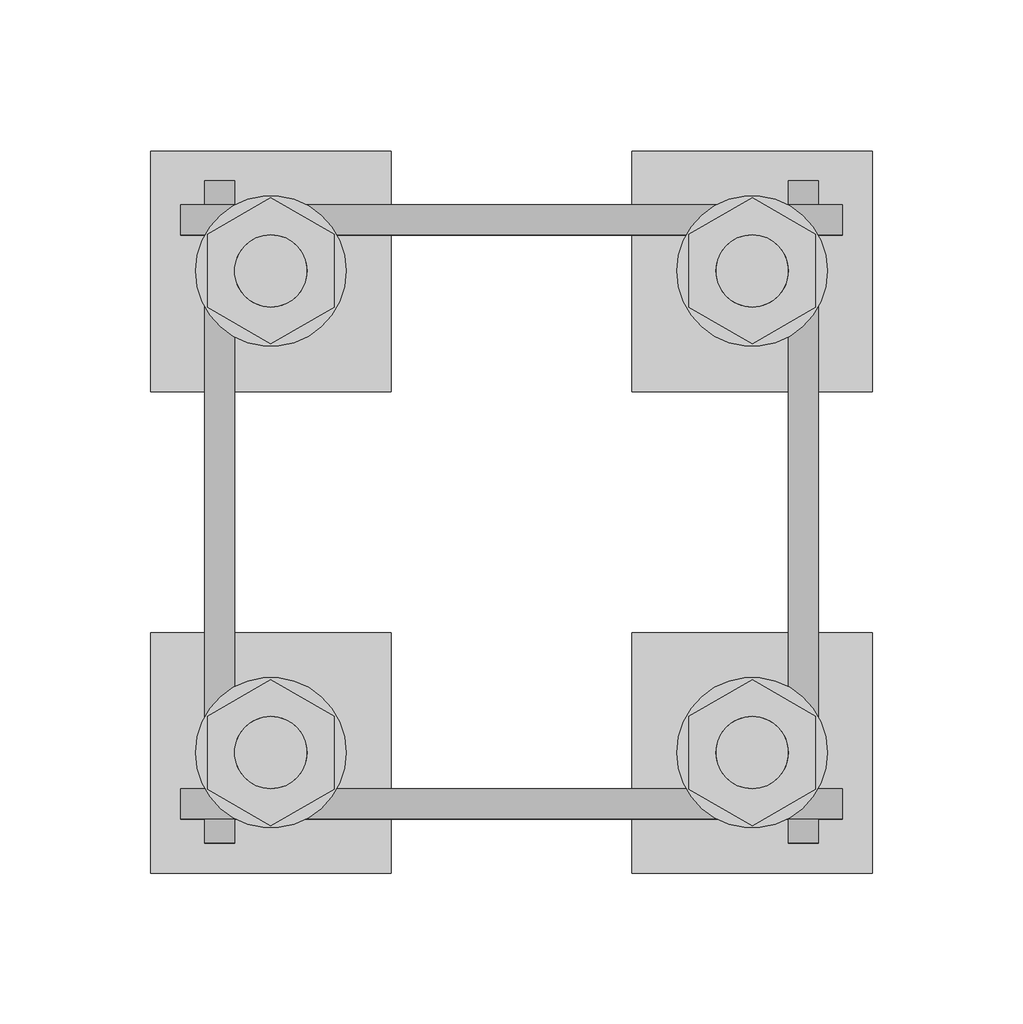
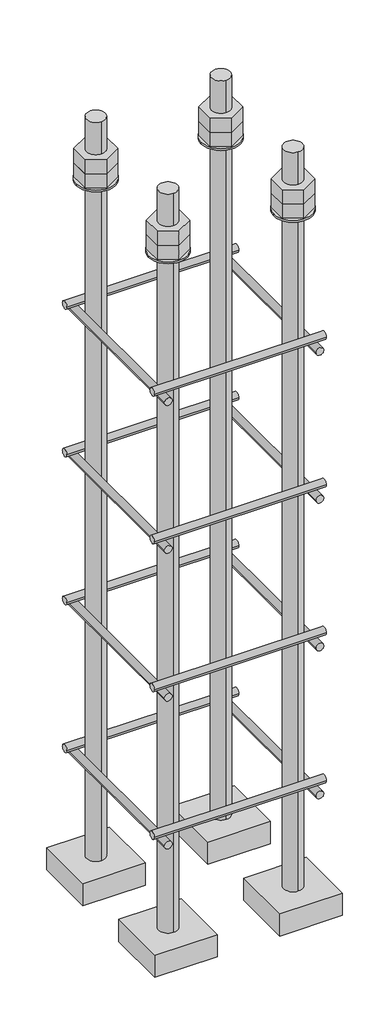
# One storey, part 6 of 66: 1 fastener.
"""IFC4 building model written with IfcOpenShell, lengths in millimetres."""

from ifc_helpers import new_model, si_unit, point, frame, frame_2d, origin, place, context, project, spatial, polyline, circle_curve, trimmed, segment, composite_curve, outline, extrude, element, save
from ifc_brep_helpers import plane_surface, cylinder_surface, advanced_brep

model = new_model("IFC4")

# Units and contexts
model_context = context("Model", 3, world=origin())
ifc_project = project(units=[si_unit("LENGTHUNIT", "METRE", prefix="MILLI")], contexts=[model_context])

# Site, building, storey
site = spatial("IfcSite", under=ifc_project)
building = spatial("IfcBuilding", under=site)
storey = spatial("IfcBuildingStorey", under=building, Elevation=9070.0)

# Fastener
placement = place(None, origin())
element("IfcFastener", 1, ObjectType="AU1 : AU-01", at=placement, inside=storey, context=model_context, shape_type="SolidModel", body=[
    extrude(outline(composite_curve([segment(trimmed(circle_curve(frame_2d((14703.0, 8795.0)), 5.0), [point((14698.0, 8795.0))], [point((14708.0, 8795.0))], False, "CARTESIAN"), True, "CONTINUOUS"), segment(trimmed(circle_curve(frame_2d((14703.0, 8795.0)), 5.0), [point((14708.0, 8795.0))], [point((14698.0, 8795.0))], False, "CARTESIAN"), True, "CONTINUOUS")], self_intersect=False)), frame((20740.0, 0.0, 0.0), z_axis=(1.0, 0.0, 0.0), x_axis=(0.0, 1.0, 0.0)), (0.0, 0.0, 1.0), 220.0),
    extrude(outline(composite_curve([segment(trimmed(circle_curve(frame_2d((14897.0, 8795.0)), 5.0), [point((14902.0, 8795.0))], [point((14892.0, 8795.0))], False, "CARTESIAN"), True, "CONTINUOUS"), segment(trimmed(circle_curve(frame_2d((14897.0, 8795.0)), 5.0), [point((14892.0, 8795.0))], [point((14902.0, 8795.0))], False, "CARTESIAN"), True, "CONTINUOUS")], self_intersect=False)), frame((20740.0, 0.0, 0.0), z_axis=(1.0, 0.0, 0.0), x_axis=(0.0, 1.0, 0.0)), (0.0, 0.0, 1.0), 220.0),
    extrude(outline(composite_curve([segment(trimmed(circle_curve(frame_2d((8785.0, 20753.0)), 5.0), [point((8785.0, 20748.0))], [point((8785.0, 20758.0))], False, "CARTESIAN"), True, "CONTINUOUS"), segment(trimmed(circle_curve(frame_2d((8785.0, 20753.0)), 5.0), [point((8785.0, 20758.0))], [point((8785.0, 20748.0))], False, "CARTESIAN"), True, "CONTINUOUS")], self_intersect=False)), frame((0.0, 14690.0, 0.0), z_axis=(0.0, 1.0, 0.0), x_axis=(0.0, 0.0, 1.0)), (0.0, 0.0, 1.0), 220.0),
    extrude(outline(composite_curve([segment(trimmed(circle_curve(frame_2d((8785.0, 20947.0)), 5.0), [point((8785.0, 20952.0))], [point((8785.0, 20942.0))], False, "CARTESIAN"), True, "CONTINUOUS"), segment(trimmed(circle_curve(frame_2d((8785.0, 20947.0)), 5.0), [point((8785.0, 20942.0))], [point((8785.0, 20952.0))], False, "CARTESIAN"), True, "CONTINUOUS")], self_intersect=False)), frame((0.0, 14690.0, 0.0), z_axis=(0.0, 1.0, 0.0), x_axis=(0.0, 0.0, 1.0)), (0.0, 0.0, 1.0), 220.0),
    extrude(outline(composite_curve([segment(trimmed(circle_curve(frame_2d((14703.0, 8995.0)), 5.0), [point((14698.0, 8995.0))], [point((14708.0, 8995.0))], False, "CARTESIAN"), True, "CONTINUOUS"), segment(trimmed(circle_curve(frame_2d((14703.0, 8995.0)), 5.0), [point((14708.0, 8995.0))], [point((14698.0, 8995.0))], False, "CARTESIAN"), True, "CONTINUOUS")], self_intersect=False)), frame((20740.0, 0.0, 0.0), z_axis=(1.0, 0.0, 0.0), x_axis=(0.0, 1.0, 0.0)), (0.0, 0.0, 1.0), 220.0),
    extrude(outline(composite_curve([segment(trimmed(circle_curve(frame_2d((14897.0, 8995.0)), 5.0), [point((14902.0, 8995.0))], [point((14892.0, 8995.0))], False, "CARTESIAN"), True, "CONTINUOUS"), segment(trimmed(circle_curve(frame_2d((14897.0, 8995.0)), 5.0), [point((14892.0, 8995.0))], [point((14902.0, 8995.0))], False, "CARTESIAN"), True, "CONTINUOUS")], self_intersect=False)), frame((20740.0, 0.0, 0.0), z_axis=(1.0, 0.0, 0.0), x_axis=(0.0, 1.0, 0.0)), (0.0, 0.0, 1.0), 220.0),
    extrude(outline(composite_curve([segment(trimmed(circle_curve(frame_2d((8985.0, 20753.0)), 5.0), [point((8985.0, 20748.0))], [point((8985.0, 20758.0))], False, "CARTESIAN"), True, "CONTINUOUS"), segment(trimmed(circle_curve(frame_2d((8985.0, 20753.0)), 5.0), [point((8985.0, 20758.0))], [point((8985.0, 20748.0))], False, "CARTESIAN"), True, "CONTINUOUS")], self_intersect=False)), frame((0.0, 14690.0, 0.0), z_axis=(0.0, 1.0, 0.0), x_axis=(0.0, 0.0, 1.0)), (0.0, 0.0, 1.0), 220.0),
    extrude(outline(composite_curve([segment(trimmed(circle_curve(frame_2d((8985.0, 20947.0)), 5.0), [point((8985.0, 20952.0))], [point((8985.0, 20942.0))], False, "CARTESIAN"), True, "CONTINUOUS"), segment(trimmed(circle_curve(frame_2d((8985.0, 20947.0)), 5.0), [point((8985.0, 20942.0))], [point((8985.0, 20952.0))], False, "CARTESIAN"), True, "CONTINUOUS")], self_intersect=False)), frame((0.0, 14690.0, 0.0), z_axis=(0.0, 1.0, 0.0), x_axis=(0.0, 0.0, 1.0)), (0.0, 0.0, 1.0), 220.0),
    extrude(outline(composite_curve([segment(trimmed(circle_curve(frame_2d((14703.0, 9195.0)), 5.0), [point((14698.0, 9195.0))], [point((14708.0, 9195.0))], False, "CARTESIAN"), True, "CONTINUOUS"), segment(trimmed(circle_curve(frame_2d((14703.0, 9195.0)), 5.0), [point((14708.0, 9195.0))], [point((14698.0, 9195.0))], False, "CARTESIAN"), True, "CONTINUOUS")], self_intersect=False)), frame((20740.0, 0.0, 0.0), z_axis=(1.0, 0.0, 0.0), x_axis=(0.0, 1.0, 0.0)), (0.0, 0.0, 1.0), 220.0),
    extrude(outline(composite_curve([segment(trimmed(circle_curve(frame_2d((14897.0, 9195.0)), 5.0), [point((14902.0, 9195.0))], [point((14892.0, 9195.0))], False, "CARTESIAN"), True, "CONTINUOUS"), segment(trimmed(circle_curve(frame_2d((14897.0, 9195.0)), 5.0), [point((14892.0, 9195.0))], [point((14902.0, 9195.0))], False, "CARTESIAN"), True, "CONTINUOUS")], self_intersect=False)), frame((20740.0, 0.0, 0.0), z_axis=(1.0, 0.0, 0.0), x_axis=(0.0, 1.0, 0.0)), (0.0, 0.0, 1.0), 220.0),
    extrude(outline(composite_curve([segment(trimmed(circle_curve(frame_2d((9185.0, 20753.0)), 5.0), [point((9185.0, 20748.0))], [point((9185.0, 20758.0))], False, "CARTESIAN"), True, "CONTINUOUS"), segment(trimmed(circle_curve(frame_2d((9185.0, 20753.0)), 5.0), [point((9185.0, 20758.0))], [point((9185.0, 20748.0))], False, "CARTESIAN"), True, "CONTINUOUS")], self_intersect=False)), frame((0.0, 14690.0, 0.0), z_axis=(0.0, 1.0, 0.0), x_axis=(0.0, 0.0, 1.0)), (0.0, 0.0, 1.0), 220.0),
    extrude(outline(composite_curve([segment(trimmed(circle_curve(frame_2d((9185.0, 20947.0)), 5.0), [point((9185.0, 20952.0))], [point((9185.0, 20942.0))], False, "CARTESIAN"), True, "CONTINUOUS"), segment(trimmed(circle_curve(frame_2d((9185.0, 20947.0)), 5.0), [point((9185.0, 20942.0))], [point((9185.0, 20952.0))], False, "CARTESIAN"), True, "CONTINUOUS")], self_intersect=False)), frame((0.0, 14690.0, 0.0), z_axis=(0.0, 1.0, 0.0), x_axis=(0.0, 0.0, 1.0)), (0.0, 0.0, 1.0), 220.0),
    extrude(outline(composite_curve([segment(trimmed(circle_curve(frame_2d((14703.0, 9395.0)), 5.0), [point((14698.0, 9395.0))], [point((14708.0, 9395.0))], False, "CARTESIAN"), True, "CONTINUOUS"), segment(trimmed(circle_curve(frame_2d((14703.0, 9395.0)), 5.0), [point((14708.0, 9395.0))], [point((14698.0, 9395.0))], False, "CARTESIAN"), True, "CONTINUOUS")], self_intersect=False)), frame((20740.0, 0.0, 0.0), z_axis=(1.0, 0.0, 0.0), x_axis=(0.0, 1.0, 0.0)), (0.0, 0.0, 1.0), 220.0),
    extrude(outline(composite_curve([segment(trimmed(circle_curve(frame_2d((14897.0, 9395.0)), 5.0), [point((14902.0, 9395.0))], [point((14892.0, 9395.0))], False, "CARTESIAN"), True, "CONTINUOUS"), segment(trimmed(circle_curve(frame_2d((14897.0, 9395.0)), 5.0), [point((14892.0, 9395.0))], [point((14902.0, 9395.0))], False, "CARTESIAN"), True, "CONTINUOUS")], self_intersect=False)), frame((20740.0, 0.0, 0.0), z_axis=(1.0, 0.0, 0.0), x_axis=(0.0, 1.0, 0.0)), (0.0, 0.0, 1.0), 220.0),
    extrude(outline(composite_curve([segment(trimmed(circle_curve(frame_2d((9385.0, 20753.0)), 5.0), [point((9385.0, 20748.0))], [point((9385.0, 20758.0))], False, "CARTESIAN"), True, "CONTINUOUS"), segment(trimmed(circle_curve(frame_2d((9385.0, 20753.0)), 5.0), [point((9385.0, 20758.0))], [point((9385.0, 20748.0))], False, "CARTESIAN"), True, "CONTINUOUS")], self_intersect=False)), frame((0.0, 14690.0, 0.0), z_axis=(0.0, 1.0, 0.0), x_axis=(0.0, 0.0, 1.0)), (0.0, 0.0, 1.0), 220.0),
    extrude(outline(composite_curve([segment(trimmed(circle_curve(frame_2d((9385.0, 20947.0)), 5.0), [point((9385.0, 20952.0))], [point((9385.0, 20942.0))], False, "CARTESIAN"), True, "CONTINUOUS"), segment(trimmed(circle_curve(frame_2d((9385.0, 20947.0)), 5.0), [point((9385.0, 20942.0))], [point((9385.0, 20952.0))], False, "CARTESIAN"), True, "CONTINUOUS")], self_intersect=False)), frame((0.0, 14690.0, 0.0), z_axis=(0.0, 1.0, 0.0), x_axis=(0.0, 0.0, 1.0)), (0.0, 0.0, 1.0), 220.0),
    advanced_brep(
    [(20810.0, 14920.0, 8650.0), (20730.0, 14920.0, 8650.0), (20730.0, 14840.0, 8650.0), (20810.0, 14840.0, 8650.0), (20770.0, 14868.0, 8650.0), (20770.0, 14892.0, 8650.0), (20810.0, 14920.0, 8620.0), (20810.0, 14840.0, 8620.0), (20730.0, 14840.0, 8620.0), (20730.0, 14920.0, 8620.0), (20770.0, 14892.0, 9650.0), (20770.0, 14868.0, 9650.0)],
    [
        (0, 1),
        (1, 2),
        (2, 3),
        (3, 0),
        (4, 5, circle_curve(frame((20770.0, 14880.0, 8650.0), z_axis=(0.0, 0.0, -1.0), x_axis=(0.0, -1.0, 0.0)), 12.0)),
        (5, 4, circle_curve(frame((20770.0, 14880.0, 8650.0), z_axis=(0.0, 0.0, -1.0), x_axis=(0.0, -1.0, 0.0)), 12.0)),
        (6, 7),
        (7, 8),
        (8, 9),
        (9, 6),
        (0, 6),
        (9, 1),
        (8, 2),
        (7, 3),
        (10, 11, circle_curve(frame((20770.0, 14880.0, 9650.0), z_axis=(0.0, 0.0, 1.0), x_axis=(0.0, -1.0, 0.0)), 12.0)),
        (11, 10, circle_curve(frame((20770.0, 14880.0, 9650.0), z_axis=(0.0, 0.0, 1.0), x_axis=(0.0, -1.0, 0.0)), 12.0)),
        (10, 5),
        (4, 11),
    ],
    [
        plane_surface(frame((20730.0, 14920.0, 8650.0), z_axis=(0.0, 0.0, 1.0), x_axis=(-1.0, 0.0, 0.0))),
        plane_surface(frame((20730.0, 14920.0, 8620.0), z_axis=(0.0, 0.0, -1.0), x_axis=(1.0, 0.0, 0.0))),
        plane_surface(frame((20810.0, 14920.0, 8650.0), z_axis=(0.0, 1.0, 0.0), x_axis=(0.0, 0.0, -1.0))),
        plane_surface(frame((20730.0, 14920.0, 8650.0), z_axis=(-1.0, 0.0, 0.0), x_axis=(0.0, 0.0, -1.0))),
        plane_surface(frame((20730.0, 14840.0, 8650.0), z_axis=(0.0, -1.0, 0.0), x_axis=(0.0, 0.0, -1.0))),
        plane_surface(frame((20810.0, 14840.0, 8650.0), z_axis=(1.0, 0.0, 0.0), x_axis=(0.0, 0.0, -1.0))),
        plane_surface(frame((20770.0, 14880.0, 9650.0), z_axis=(0.0, 0.0, 1.0), x_axis=(0.0, -1.0, 0.0))),
        cylinder_surface(frame((20770.0, 14880.0, 9650.0), z_axis=(0.0, 0.0, 1.0), x_axis=(0.0, -1.0, 0.0)), 12.0),
    ],
    [
        (0, [[1, 2, 3, 4], [5, 6]]),
        (1, [[7, 8, 9, 10]]),
        (2, [[-1, 11, -10, 12]]),
        (3, [[-2, -12, -9, 13]]),
        (4, [[-3, -13, -8, 14]]),
        (5, [[-4, -14, -7, -11]]),
        (6, [[15, 16]]),
        (7, [[-15, 17, -5, 18]]),
        (7, [[-16, -18, -6, -17]]),
    ],
),
    extrude(outline(composite_curve([segment(trimmed(circle_curve(frame_2d((20770.0, 14880.0)), 25.0), [point((20795.0, 14880.0))], [point((20745.0, 14880.0))], False, "CARTESIAN"), True, "CONTINUOUS"), segment(trimmed(circle_curve(frame_2d((20770.0, 14880.0)), 25.0), [point((20745.0, 14880.0))], [point((20795.0, 14880.0))], False, "CARTESIAN"), True, "CONTINUOUS")], self_intersect=False), holes=[composite_curve([segment(trimmed(circle_curve(frame_2d((20770.0, 14880.0)), 12.0), [point((20782.0, 14880.0))], [point((20758.0, 14880.0))], True, "CARTESIAN"), True, "CONTINUOUS"), segment(trimmed(circle_curve(frame_2d((20770.0, 14880.0)), 12.0), [point((20758.0, 14880.0))], [point((20782.0, 14880.0))], True, "CARTESIAN"), True, "CONTINUOUS")], self_intersect=False)]), frame((0.0, 0.0, 9565.0), z_axis=(0.0, 0.0, 1.0), x_axis=(1.0, 0.0, 0.0)), (0.0, 0.0, 1.0), 2.5),
    extrude(outline(polyline([(20770.0, 14904.2487113), (20791.0, 14892.1243557), (20791.0, 14867.8756443), (20770.0, 14855.7512887), (20749.0, 14867.8756443), (20749.0, 14892.1243557), (20770.0, 14904.2487113)]), holes=[composite_curve([segment(trimmed(circle_curve(frame_2d((20770.0, 14880.0)), 12.0), [point((20782.0, 14880.0))], [point((20758.0, 14880.0))], True, "CARTESIAN"), True, "CONTINUOUS"), segment(trimmed(circle_curve(frame_2d((20770.0, 14880.0)), 12.0), [point((20758.0, 14880.0))], [point((20782.0, 14880.0))], True, "CARTESIAN"), True, "CONTINUOUS")], self_intersect=False)]), frame((0.0, 0.0, 9587.0), z_axis=(0.0, 0.0, 1.0), x_axis=(1.0, 0.0, 0.0)), (0.0, 0.0, 1.0), 19.5),
    extrude(outline(polyline([(20770.0, 14904.2487113), (20791.0, 14892.1243557), (20791.0, 14867.8756443), (20770.0, 14855.7512887), (20749.0, 14867.8756443), (20749.0, 14892.1243557), (20770.0, 14904.2487113)]), holes=[composite_curve([segment(trimmed(circle_curve(frame_2d((20770.0, 14880.0)), 12.0), [point((20782.0, 14880.0))], [point((20758.0, 14880.0))], True, "CARTESIAN"), True, "CONTINUOUS"), segment(trimmed(circle_curve(frame_2d((20770.0, 14880.0)), 12.0), [point((20758.0, 14880.0))], [point((20782.0, 14880.0))], True, "CARTESIAN"), True, "CONTINUOUS")], self_intersect=False)]), frame((0.0, 0.0, 9567.5), z_axis=(0.0, 0.0, 1.0), x_axis=(1.0, 0.0, 0.0)), (0.0, 0.0, 1.0), 19.5),
    advanced_brep(
    [(20890.0, 14840.0, 8650.0), (20970.0, 14840.0, 8650.0), (20970.0, 14920.0, 8650.0), (20890.0, 14920.0, 8650.0), (20930.0, 14892.0, 8650.0), (20930.0, 14868.0, 8650.0), (20890.0, 14840.0, 8620.0), (20890.0, 14920.0, 8620.0), (20970.0, 14920.0, 8620.0), (20970.0, 14840.0, 8620.0), (20930.0, 14868.0, 9650.0), (20930.0, 14892.0, 9650.0)],
    [
        (0, 1),
        (1, 2),
        (2, 3),
        (3, 0),
        (4, 5, circle_curve(frame((20930.0, 14880.0, 8650.0), z_axis=(0.0, 0.0, -1.0), x_axis=(0.0, 1.0, 0.0)), 12.0)),
        (5, 4, circle_curve(frame((20930.0, 14880.0, 8650.0), z_axis=(0.0, 0.0, -1.0), x_axis=(0.0, 1.0, 0.0)), 12.0)),
        (6, 7),
        (7, 8),
        (8, 9),
        (9, 6),
        (0, 6),
        (9, 1),
        (8, 2),
        (7, 3),
        (10, 11, circle_curve(frame((20930.0, 14880.0, 9650.0), z_axis=(0.0, 0.0, 1.0), x_axis=(0.0, 1.0, 0.0)), 12.0)),
        (11, 10, circle_curve(frame((20930.0, 14880.0, 9650.0), z_axis=(0.0, 0.0, 1.0), x_axis=(0.0, 1.0, 0.0)), 12.0)),
        (10, 5),
        (4, 11),
    ],
    [
        plane_surface(frame((20970.0, 14840.0, 8650.0), z_axis=(0.0, 0.0, 1.0), x_axis=(1.0, 0.0, 0.0))),
        plane_surface(frame((20970.0, 14840.0, 8620.0), z_axis=(0.0, 0.0, -1.0), x_axis=(-1.0, 0.0, 0.0))),
        plane_surface(frame((20890.0, 14840.0, 8650.0), z_axis=(0.0, -1.0, 0.0), x_axis=(0.0, 0.0, -1.0))),
        plane_surface(frame((20970.0, 14840.0, 8650.0), z_axis=(1.0, 0.0, 0.0), x_axis=(0.0, 0.0, -1.0))),
        plane_surface(frame((20970.0, 14920.0, 8650.0), z_axis=(0.0, 1.0, 0.0), x_axis=(0.0, 0.0, -1.0))),
        plane_surface(frame((20890.0, 14920.0, 8650.0), z_axis=(-1.0, 0.0, 0.0), x_axis=(0.0, 0.0, -1.0))),
        plane_surface(frame((20930.0, 14880.0, 9650.0), z_axis=(0.0, 0.0, 1.0), x_axis=(0.0, 1.0, 0.0))),
        cylinder_surface(frame((20930.0, 14880.0, 9650.0), z_axis=(0.0, 0.0, 1.0), x_axis=(0.0, 1.0, 0.0)), 12.0),
    ],
    [
        (0, [[1, 2, 3, 4], [5, 6]]),
        (1, [[7, 8, 9, 10]]),
        (2, [[-1, 11, -10, 12]]),
        (3, [[-2, -12, -9, 13]]),
        (4, [[-3, -13, -8, 14]]),
        (5, [[-4, -14, -7, -11]]),
        (6, [[15, 16]]),
        (7, [[-15, 17, -5, 18]]),
        (7, [[-16, -18, -6, -17]]),
    ],
),
    extrude(outline(composite_curve([segment(trimmed(circle_curve(frame_2d((20930.0, 14880.0)), 25.0), [point((20905.0, 14880.0))], [point((20955.0, 14880.0))], False, "CARTESIAN"), True, "CONTINUOUS"), segment(trimmed(circle_curve(frame_2d((20930.0, 14880.0)), 25.0), [point((20955.0, 14880.0))], [point((20905.0, 14880.0))], False, "CARTESIAN"), True, "CONTINUOUS")], self_intersect=False), holes=[composite_curve([segment(trimmed(circle_curve(frame_2d((20930.0, 14880.0)), 12.0), [point((20918.0, 14880.0))], [point((20942.0, 14880.0))], True, "CARTESIAN"), True, "CONTINUOUS"), segment(trimmed(circle_curve(frame_2d((20930.0, 14880.0)), 12.0), [point((20942.0, 14880.0))], [point((20918.0, 14880.0))], True, "CARTESIAN"), True, "CONTINUOUS")], self_intersect=False)]), frame((0.0, 0.0, 9565.0), z_axis=(0.0, 0.0, 1.0), x_axis=(1.0, 0.0, 0.0)), (0.0, 0.0, 1.0), 2.5),
    extrude(outline(polyline([(20930.0, 14855.7512887), (20909.0, 14867.8756443), (20909.0, 14892.1243557), (20930.0, 14904.2487113), (20951.0, 14892.1243557), (20951.0, 14867.8756443), (20930.0, 14855.7512887)]), holes=[composite_curve([segment(trimmed(circle_curve(frame_2d((20930.0, 14880.0)), 12.0), [point((20918.0, 14880.0))], [point((20942.0, 14880.0))], True, "CARTESIAN"), True, "CONTINUOUS"), segment(trimmed(circle_curve(frame_2d((20930.0, 14880.0)), 12.0), [point((20942.0, 14880.0))], [point((20918.0, 14880.0))], True, "CARTESIAN"), True, "CONTINUOUS")], self_intersect=False)]), frame((0.0, 0.0, 9587.0), z_axis=(0.0, 0.0, 1.0), x_axis=(1.0, 0.0, 0.0)), (0.0, 0.0, 1.0), 19.5),
    extrude(outline(polyline([(20930.0, 14855.7512887), (20909.0, 14867.8756443), (20909.0, 14892.1243557), (20930.0, 14904.2487113), (20951.0, 14892.1243557), (20951.0, 14867.8756443), (20930.0, 14855.7512887)]), holes=[composite_curve([segment(trimmed(circle_curve(frame_2d((20930.0, 14880.0)), 12.0), [point((20918.0, 14880.0))], [point((20942.0, 14880.0))], True, "CARTESIAN"), True, "CONTINUOUS"), segment(trimmed(circle_curve(frame_2d((20930.0, 14880.0)), 12.0), [point((20942.0, 14880.0))], [point((20918.0, 14880.0))], True, "CARTESIAN"), True, "CONTINUOUS")], self_intersect=False)]), frame((0.0, 0.0, 9567.5), z_axis=(0.0, 0.0, 1.0), x_axis=(1.0, 0.0, 0.0)), (0.0, 0.0, 1.0), 19.5),
    advanced_brep(
    [(20890.0, 14680.0, 8650.0), (20970.0, 14680.0, 8650.0), (20970.0, 14760.0, 8650.0), (20890.0, 14760.0, 8650.0), (20930.0, 14732.0, 8650.0), (20930.0, 14708.0, 8650.0), (20890.0, 14680.0, 8620.0), (20890.0, 14760.0, 8620.0), (20970.0, 14760.0, 8620.0), (20970.0, 14680.0, 8620.0), (20930.0, 14708.0, 9650.0), (20930.0, 14732.0, 9650.0)],
    [
        (0, 1),
        (1, 2),
        (2, 3),
        (3, 0),
        (4, 5, circle_curve(frame((20930.0, 14720.0, 8650.0), z_axis=(0.0, 0.0, -1.0), x_axis=(0.0, 1.0, 0.0)), 12.0)),
        (5, 4, circle_curve(frame((20930.0, 14720.0, 8650.0), z_axis=(0.0, 0.0, -1.0), x_axis=(0.0, 1.0, 0.0)), 12.0)),
        (6, 7),
        (7, 8),
        (8, 9),
        (9, 6),
        (0, 6),
        (9, 1),
        (8, 2),
        (7, 3),
        (10, 11, circle_curve(frame((20930.0, 14720.0, 9650.0), z_axis=(0.0, 0.0, 1.0), x_axis=(0.0, 1.0, 0.0)), 12.0)),
        (11, 10, circle_curve(frame((20930.0, 14720.0, 9650.0), z_axis=(0.0, 0.0, 1.0), x_axis=(0.0, 1.0, 0.0)), 12.0)),
        (10, 5),
        (4, 11),
    ],
    [
        plane_surface(frame((20970.0, 14680.0, 8650.0), z_axis=(0.0, 0.0, 1.0), x_axis=(1.0, 0.0, 0.0))),
        plane_surface(frame((20970.0, 14680.0, 8620.0), z_axis=(0.0, 0.0, -1.0), x_axis=(-1.0, 0.0, 0.0))),
        plane_surface(frame((20890.0, 14680.0, 8650.0), z_axis=(0.0, -1.0, 0.0), x_axis=(0.0, 0.0, -1.0))),
        plane_surface(frame((20970.0, 14680.0, 8650.0), z_axis=(1.0, 0.0, 0.0), x_axis=(0.0, 0.0, -1.0))),
        plane_surface(frame((20970.0, 14760.0, 8650.0), z_axis=(0.0, 1.0, 0.0), x_axis=(0.0, 0.0, -1.0))),
        plane_surface(frame((20890.0, 14760.0, 8650.0), z_axis=(-1.0, 0.0, 0.0), x_axis=(0.0, 0.0, -1.0))),
        plane_surface(frame((20930.0, 14720.0, 9650.0), z_axis=(0.0, 0.0, 1.0), x_axis=(0.0, 1.0, 0.0))),
        cylinder_surface(frame((20930.0, 14720.0, 9650.0), z_axis=(0.0, 0.0, 1.0), x_axis=(0.0, 1.0, 0.0)), 12.0),
    ],
    [
        (0, [[1, 2, 3, 4], [5, 6]]),
        (1, [[7, 8, 9, 10]]),
        (2, [[-1, 11, -10, 12]]),
        (3, [[-2, -12, -9, 13]]),
        (4, [[-3, -13, -8, 14]]),
        (5, [[-4, -14, -7, -11]]),
        (6, [[15, 16]]),
        (7, [[-15, 17, -5, 18]]),
        (7, [[-16, -18, -6, -17]]),
    ],
),
    extrude(outline(composite_curve([segment(trimmed(circle_curve(frame_2d((20930.0, 14720.0)), 25.0), [point((20905.0, 14720.0))], [point((20955.0, 14720.0))], False, "CARTESIAN"), True, "CONTINUOUS"), segment(trimmed(circle_curve(frame_2d((20930.0, 14720.0)), 25.0), [point((20955.0, 14720.0))], [point((20905.0, 14720.0))], False, "CARTESIAN"), True, "CONTINUOUS")], self_intersect=False), holes=[composite_curve([segment(trimmed(circle_curve(frame_2d((20930.0, 14720.0)), 12.0), [point((20918.0, 14720.0))], [point((20942.0, 14720.0))], True, "CARTESIAN"), True, "CONTINUOUS"), segment(trimmed(circle_curve(frame_2d((20930.0, 14720.0)), 12.0), [point((20942.0, 14720.0))], [point((20918.0, 14720.0))], True, "CARTESIAN"), True, "CONTINUOUS")], self_intersect=False)]), frame((0.0, 0.0, 9565.0), z_axis=(0.0, 0.0, 1.0), x_axis=(1.0, 0.0, 0.0)), (0.0, 0.0, 1.0), 2.5),
    extrude(outline(polyline([(20930.0, 14695.7512887), (20909.0, 14707.8756443), (20909.0, 14732.1243557), (20930.0, 14744.2487113), (20951.0, 14732.1243557), (20951.0, 14707.8756443), (20930.0, 14695.7512887)]), holes=[composite_curve([segment(trimmed(circle_curve(frame_2d((20930.0, 14720.0)), 12.0), [point((20918.0, 14720.0))], [point((20942.0, 14720.0))], True, "CARTESIAN"), True, "CONTINUOUS"), segment(trimmed(circle_curve(frame_2d((20930.0, 14720.0)), 12.0), [point((20942.0, 14720.0))], [point((20918.0, 14720.0))], True, "CARTESIAN"), True, "CONTINUOUS")], self_intersect=False)]), frame((0.0, 0.0, 9587.0), z_axis=(0.0, 0.0, 1.0), x_axis=(1.0, 0.0, 0.0)), (0.0, 0.0, 1.0), 19.5),
    extrude(outline(polyline([(20930.0, 14695.7512887), (20909.0, 14707.8756443), (20909.0, 14732.1243557), (20930.0, 14744.2487113), (20951.0, 14732.1243557), (20951.0, 14707.8756443), (20930.0, 14695.7512887)]), holes=[composite_curve([segment(trimmed(circle_curve(frame_2d((20930.0, 14720.0)), 12.0), [point((20918.0, 14720.0))], [point((20942.0, 14720.0))], True, "CARTESIAN"), True, "CONTINUOUS"), segment(trimmed(circle_curve(frame_2d((20930.0, 14720.0)), 12.0), [point((20942.0, 14720.0))], [point((20918.0, 14720.0))], True, "CARTESIAN"), True, "CONTINUOUS")], self_intersect=False)]), frame((0.0, 0.0, 9567.5), z_axis=(0.0, 0.0, 1.0), x_axis=(1.0, 0.0, 0.0)), (0.0, 0.0, 1.0), 19.5),
    advanced_brep(
    [(20810.0, 14760.0, 8650.0), (20730.0, 14760.0, 8650.0), (20730.0, 14680.0, 8650.0), (20810.0, 14680.0, 8650.0), (20770.0, 14708.0, 8650.0), (20770.0, 14732.0, 8650.0), (20810.0, 14760.0, 8620.0), (20810.0, 14680.0, 8620.0), (20730.0, 14680.0, 8620.0), (20730.0, 14760.0, 8620.0), (20770.0, 14732.0, 9650.0), (20770.0, 14708.0, 9650.0)],
    [
        (0, 1),
        (1, 2),
        (2, 3),
        (3, 0),
        (4, 5, circle_curve(frame((20770.0, 14720.0, 8650.0), z_axis=(0.0, 0.0, -1.0), x_axis=(0.0, -1.0, 0.0)), 12.0)),
        (5, 4, circle_curve(frame((20770.0, 14720.0, 8650.0), z_axis=(0.0, 0.0, -1.0), x_axis=(0.0, -1.0, 0.0)), 12.0)),
        (6, 7),
        (7, 8),
        (8, 9),
        (9, 6),
        (0, 6),
        (9, 1),
        (8, 2),
        (7, 3),
        (10, 11, circle_curve(frame((20770.0, 14720.0, 9650.0), z_axis=(0.0, 0.0, 1.0), x_axis=(0.0, -1.0, 0.0)), 12.0)),
        (11, 10, circle_curve(frame((20770.0, 14720.0, 9650.0), z_axis=(0.0, 0.0, 1.0), x_axis=(0.0, -1.0, 0.0)), 12.0)),
        (10, 5),
        (4, 11),
    ],
    [
        plane_surface(frame((20730.0, 14760.0, 8650.0), z_axis=(0.0, 0.0, 1.0), x_axis=(-1.0, 0.0, 0.0))),
        plane_surface(frame((20730.0, 14760.0, 8620.0), z_axis=(0.0, 0.0, -1.0), x_axis=(1.0, 0.0, 0.0))),
        plane_surface(frame((20810.0, 14760.0, 8650.0), z_axis=(0.0, 1.0, 0.0), x_axis=(0.0, 0.0, -1.0))),
        plane_surface(frame((20730.0, 14760.0, 8650.0), z_axis=(-1.0, 0.0, 0.0), x_axis=(0.0, 0.0, -1.0))),
        plane_surface(frame((20730.0, 14680.0, 8650.0), z_axis=(0.0, -1.0, 0.0), x_axis=(0.0, 0.0, -1.0))),
        plane_surface(frame((20810.0, 14680.0, 8650.0), z_axis=(1.0, 0.0, 0.0), x_axis=(0.0, 0.0, -1.0))),
        plane_surface(frame((20770.0, 14720.0, 9650.0), z_axis=(0.0, 0.0, 1.0), x_axis=(0.0, -1.0, 0.0))),
        cylinder_surface(frame((20770.0, 14720.0, 9650.0), z_axis=(0.0, 0.0, 1.0), x_axis=(0.0, -1.0, 0.0)), 12.0),
    ],
    [
        (0, [[1, 2, 3, 4], [5, 6]]),
        (1, [[7, 8, 9, 10]]),
        (2, [[-1, 11, -10, 12]]),
        (3, [[-2, -12, -9, 13]]),
        (4, [[-3, -13, -8, 14]]),
        (5, [[-4, -14, -7, -11]]),
        (6, [[15, 16]]),
        (7, [[-15, 17, -5, 18]]),
        (7, [[-16, -18, -6, -17]]),
    ],
),
    extrude(outline(composite_curve([segment(trimmed(circle_curve(frame_2d((20770.0, 14720.0)), 25.0), [point((20795.0, 14720.0))], [point((20745.0, 14720.0))], False, "CARTESIAN"), True, "CONTINUOUS"), segment(trimmed(circle_curve(frame_2d((20770.0, 14720.0)), 25.0), [point((20745.0, 14720.0))], [point((20795.0, 14720.0))], False, "CARTESIAN"), True, "CONTINUOUS")], self_intersect=False), holes=[composite_curve([segment(trimmed(circle_curve(frame_2d((20770.0, 14720.0)), 12.0), [point((20782.0, 14720.0))], [point((20758.0, 14720.0))], True, "CARTESIAN"), True, "CONTINUOUS"), segment(trimmed(circle_curve(frame_2d((20770.0, 14720.0)), 12.0), [point((20758.0, 14720.0))], [point((20782.0, 14720.0))], True, "CARTESIAN"), True, "CONTINUOUS")], self_intersect=False)]), frame((0.0, 0.0, 9565.0), z_axis=(0.0, 0.0, 1.0), x_axis=(1.0, 0.0, 0.0)), (0.0, 0.0, 1.0), 2.5),
    extrude(outline(polyline([(20770.0, 14744.2487113), (20791.0, 14732.1243557), (20791.0, 14707.8756443), (20770.0, 14695.7512887), (20749.0, 14707.8756443), (20749.0, 14732.1243557), (20770.0, 14744.2487113)]), holes=[composite_curve([segment(trimmed(circle_curve(frame_2d((20770.0, 14720.0)), 12.0), [point((20782.0, 14720.0))], [point((20758.0, 14720.0))], True, "CARTESIAN"), True, "CONTINUOUS"), segment(trimmed(circle_curve(frame_2d((20770.0, 14720.0)), 12.0), [point((20758.0, 14720.0))], [point((20782.0, 14720.0))], True, "CARTESIAN"), True, "CONTINUOUS")], self_intersect=False)]), frame((0.0, 0.0, 9587.0), z_axis=(0.0, 0.0, 1.0), x_axis=(1.0, 0.0, 0.0)), (0.0, 0.0, 1.0), 19.5),
    extrude(outline(polyline([(20770.0, 14744.2487113), (20791.0, 14732.1243557), (20791.0, 14707.8756443), (20770.0, 14695.7512887), (20749.0, 14707.8756443), (20749.0, 14732.1243557), (20770.0, 14744.2487113)]), holes=[composite_curve([segment(trimmed(circle_curve(frame_2d((20770.0, 14720.0)), 12.0), [point((20782.0, 14720.0))], [point((20758.0, 14720.0))], True, "CARTESIAN"), True, "CONTINUOUS"), segment(trimmed(circle_curve(frame_2d((20770.0, 14720.0)), 12.0), [point((20758.0, 14720.0))], [point((20782.0, 14720.0))], True, "CARTESIAN"), True, "CONTINUOUS")], self_intersect=False)]), frame((0.0, 0.0, 9567.5), z_axis=(0.0, 0.0, 1.0), x_axis=(1.0, 0.0, 0.0)), (0.0, 0.0, 1.0), 19.5),
])

save(model, "model.ifc")
